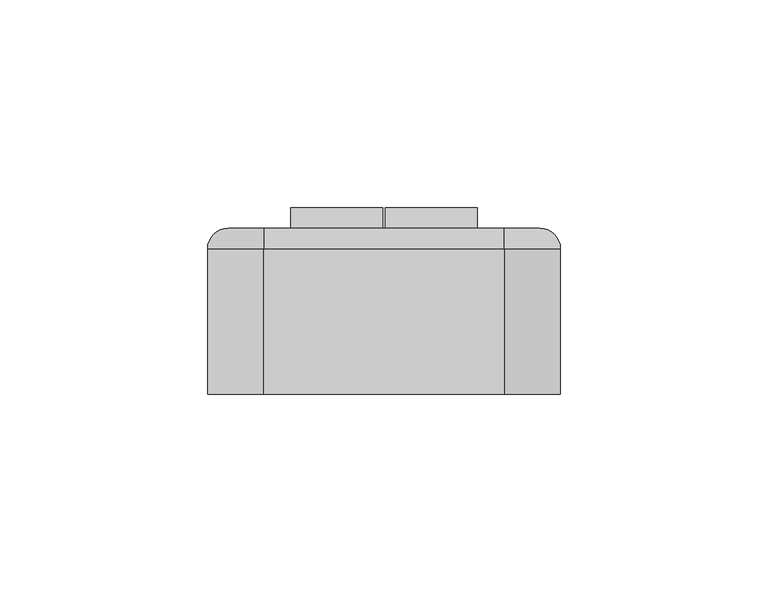
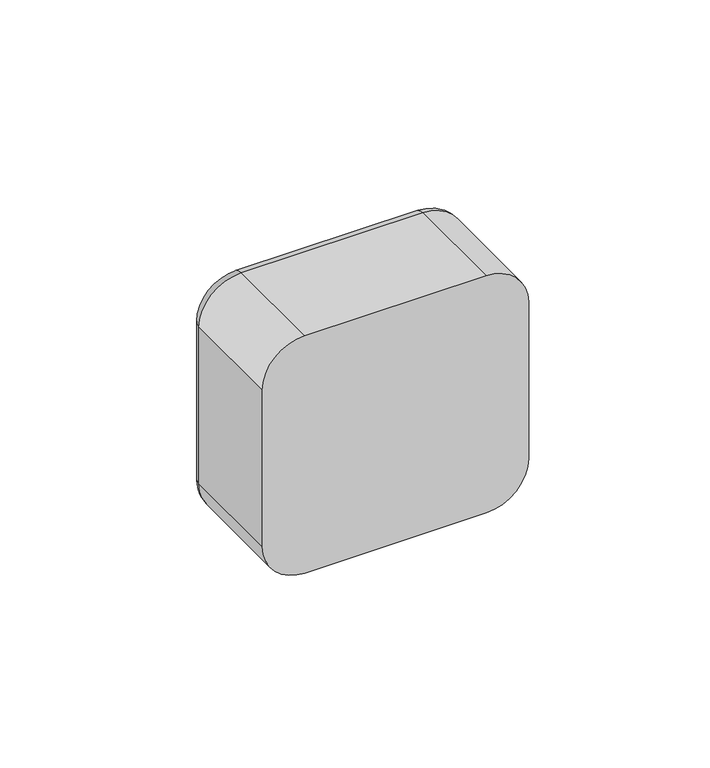
"""IFC4 building model written with IfcOpenShell, lengths in millimetres: switching device geometry."""

from ifc_helpers import new_model, si_unit, point, frame, origin, place, context, project, spatial, polyline, circle_curve, ellipse_curve, trimmed, outline, extrude, faceted_brep, source, transform, mapped, element, save
from ifc_brep_helpers import plane_surface, cylinder_surface, revolved_surface, advanced_brep


def switching_device_426c2eeb(model_context):
    return source(origin(), model_context, "Body", "SolidModel", [
        advanced_brep(
        [(28.9328665, 40.0, 35.0), (37.5, 40.0, 26.4328665), (37.5, 40.0, -26.4328665), (28.9328665, 40.0, -35.0), (-28.9328665, 40.0, -35.0), (-37.5, 40.0, -26.4328665), (-37.5, 40.0, 26.4328665), (-28.9328665, 40.0, 35.0), (22.5, 40.0, 22.5), (-22.5, 40.0, 22.5), (-22.5, 40.0, -22.5), (22.5, 40.0, -22.5), (-28.9328665, 0.0, 40.0), (-42.5, 0.0, 26.4328665), (-42.5, 0.0, -26.4328665), (-28.9328665, 0.0, -40.0), (28.9328665, 0.0, -40.0), (42.5, 0.0, -26.4328665), (42.5, 0.0, 26.4328665), (28.9328665, 0.0, 40.0), (22.5, 2.0, -22.5), (22.5, 2.0, 22.5), (-22.5, 2.0, -22.5), (-22.5, 2.0, 22.5), (-42.5, 35.0, 26.4328665), (-42.5, 35.0, -26.4328665), (-28.9328665, 35.0, -40.0), (28.9328665, 35.0, -40.0), (42.5, 35.0, -26.4328665), (42.5, 35.0, 26.4328665), (28.9328665, 35.0000072, 40.0), (-28.9328665, 35.0, 40.0)],
        [
            (0, 1, circle_curve(frame((28.9328665, 40.0, 26.4328665), z_axis=(0.0, 1.0, 0.0), x_axis=(0.0, 0.0, 1.0)), 8.5671335)),
            (1, 2),
            (2, 3, circle_curve(frame((28.9328665, 40.0, -26.4328665), z_axis=(0.0, 1.0, 0.0), x_axis=(1.0, 0.0, 0.0)), 8.5671335)),
            (3, 4),
            (4, 5, circle_curve(frame((-28.9328665, 40.0, -26.4328665), z_axis=(0.0, 1.0, 0.0), x_axis=(0.0, 0.0, -1.0)), 8.5671335)),
            (5, 6),
            (6, 7, circle_curve(frame((-28.9328665, 40.0, 26.4328665), z_axis=(0.0, 1.0, 0.0), x_axis=(-1.0, 0.0, 0.0)), 8.5671335)),
            (7, 0),
            (8, 9),
            (9, 10),
            (10, 11),
            (11, 8),
            (12, 13, circle_curve(frame((-28.9328665, 0.0, 26.4328665), z_axis=(0.0, -1.0, 0.0), x_axis=(1.0, 0.0, 0.0)), 13.5671335)),
            (13, 14),
            (14, 15, circle_curve(frame((-28.9328665, 0.0, -26.4328665), z_axis=(0.0, -1.0, 0.0), x_axis=(1.0, 0.0, 0.0)), 13.5671335)),
            (15, 16),
            (16, 17, circle_curve(frame((28.9328665, 0.0, -26.4328665), z_axis=(0.0, -1.0, 0.0), x_axis=(1.0, 0.0, 0.0)), 13.5671335)),
            (17, 18),
            (18, 19, circle_curve(frame((28.9328665, 0.0, 26.4328665), z_axis=(0.0, -1.0, 0.0), x_axis=(1.0, 0.0, 0.0)), 13.5671335)),
            (19, 12),
            (11, 20),
            (20, 21),
            (21, 8),
            (10, 22),
            (22, 20),
            (9, 23),
            (23, 22),
            (21, 23),
            (13, 24),
            (24, 25),
            (25, 14),
            (15, 26),
            (26, 27),
            (27, 16),
            (17, 28),
            (28, 29),
            (29, 18),
            (19, 30),
            (30, 31),
            (31, 12),
            (31, 24, circle_curve(frame((-28.9328665, 35.0, 26.4328665), z_axis=(0.0, -1.0, 0.0), x_axis=(1.0, 0.0, 0.0)), 13.5671335)),
            (25, 26, circle_curve(frame((-28.9328665, 35.0, -26.4328665), z_axis=(0.0, -1.0, 0.0), x_axis=(1.0, 0.0, 0.0)), 13.5671335)),
            (27, 28, circle_curve(frame((28.9328665, 35.0, -26.4328665), z_axis=(0.0, -1.0, 0.0), x_axis=(1.0, 0.0, 0.0)), 13.5671335)),
            (29, 30, circle_curve(frame((28.9328665, 35.0, 26.4328665), z_axis=(0.0, -1.0, 0.0), x_axis=(1.0, 0.0, 0.0)), 13.5671335)),
            (29, 1, circle_curve(frame((37.5, 35.0, 26.4328665), z_axis=(0.0, 0.0, 1.0), x_axis=(0.0, 1.0, 0.0)), 5.0)),
            (0, 30, circle_curve(frame((28.9328665, 35.0, 35.0), z_axis=(1.0, 0.0, 0.0), x_axis=(0.0, 1.0, 0.0)), 5.0)),
            (28, 2, circle_curve(frame((37.5, 35.0, -26.4328665), z_axis=(0.0, 0.0, 1.0), x_axis=(0.0, 1.0, 0.0)), 5.0)),
            (27, 3, circle_curve(frame((28.9328665, 35.0, -35.0), z_axis=(1.0, 0.0, 0.0), x_axis=(0.0, 1.0, 0.0)), 5.0)),
            (26, 4, circle_curve(frame((-28.9328665, 35.0, -35.0), z_axis=(1.0, 0.0, 0.0), x_axis=(0.0, 1.0, 0.0)), 5.0)),
            (25, 5, circle_curve(frame((-37.5, 35.0, -26.4328665), z_axis=(0.0, 0.0, -1.0), x_axis=(0.0, 1.0, 0.0)), 5.0)),
            (24, 6, circle_curve(frame((-37.5, 35.0, 26.4328665), z_axis=(0.0, 0.0, -1.0), x_axis=(0.0, 1.0, 0.0)), 5.0)),
            (31, 7, circle_curve(frame((-28.9328665, 35.0, 35.0), z_axis=(-1.0, 0.0, 0.0), x_axis=(0.0, 1.0, 0.0)), 5.0)),
        ],
        [
            plane_surface(frame((22.5, 40.0, 6.9412233), z_axis=(0.0, 1.0, 0.0), x_axis=(0.0, 0.0, 1.0))),
            plane_surface(frame((22.5, 0.0, 6.9412233), z_axis=(0.0, -1.0, 0.0), x_axis=(0.0, 0.0, -1.0))),
            plane_surface(frame((22.5, 0.0, 22.5), z_axis=(-1.0, 0.0, 0.0), x_axis=(0.0, 1.0, 0.0))),
            plane_surface(frame((22.5, 0.0, -22.5), z_axis=(0.0, 0.0, 1.0), x_axis=(0.0, 1.0, 0.0))),
            plane_surface(frame((-22.5, 0.0, -22.5), z_axis=(1.0, 0.0, 0.0), x_axis=(0.0, 1.0, 0.0))),
            plane_surface(frame((-22.5, 0.0, 22.5), z_axis=(0.0, 0.0, -1.0), x_axis=(0.0, 1.0, 0.0))),
            plane_surface(frame((-42.5, 0.0, 26.4328665), z_axis=(-1.0, 0.0, 0.0), x_axis=(0.0, 1.0, 0.0))),
            plane_surface(frame((-28.9328665, 0.0, -40.0), z_axis=(0.0, 0.0, -1.0), x_axis=(0.0, 1.0, 0.0))),
            plane_surface(frame((42.5, 0.0, -26.4328665), z_axis=(1.0, 0.0, 0.0), x_axis=(0.0, 1.0, 0.0))),
            plane_surface(frame((28.9328665, 0.0, 40.0), z_axis=(0.0, 0.0, 1.0), x_axis=(0.0, 1.0, 0.0))),
            cylinder_surface(frame((-28.9328665, 0.0, 26.4328665), z_axis=(0.0, -1.0, 0.0), x_axis=(1.0, 0.0, 0.0)), 13.5671335),
            cylinder_surface(frame((-28.9328665, 0.0, -26.4328665), z_axis=(0.0, -1.0, 0.0), x_axis=(1.0, 0.0, 0.0)), 13.5671335),
            cylinder_surface(frame((28.9328665, 0.0, -26.4328665), z_axis=(0.0, -1.0, 0.0), x_axis=(1.0, 0.0, 0.0)), 13.5671335),
            cylinder_surface(frame((28.9328665, 0.0, 26.4328665), z_axis=(0.0, -1.0, 0.0), x_axis=(1.0, 0.0, 0.0)), 13.5671335),
            plane_surface(frame((-22.5, 2.0, 31.0), z_axis=(0.0, 1.0, 0.0), x_axis=(0.0, 0.0, 1.0))),
            revolved_surface(trimmed(ellipse_curve(frame((28.9328665, 35.0, 35.0), z_axis=(-1.0, 0.0, 0.0), x_axis=(0.0, 1.0, 0.0)), 5.0, 5.0), [point((28.9328665, 35.0, 40.0))], [point((28.9328665, 40.0, 35.0))], True, "CARTESIAN"), (28.9328665, 40.0, 26.4328665), (0.0, 1.0, 0.0)),
            cylinder_surface(frame((37.5, 35.0, 26.4328665), z_axis=(0.0, 0.0, -1.0), x_axis=(0.0, 1.0, 0.0)), 5.0),
            revolved_surface(trimmed(ellipse_curve(frame((37.5, 35.0, -26.4328665), z_axis=(0.0, 0.0, 1.0), x_axis=(0.0, 1.0, 0.0)), 5.0, 5.0), [point((42.5, 35.0, -26.4328665))], [point((37.5, 40.0, -26.4328665))], True, "CARTESIAN"), (28.9328665, 40.0, -26.4328665), (0.0, 1.0, 0.0)),
            cylinder_surface(frame((28.9328665, 35.0, -35.0), z_axis=(-1.0, 0.0, 0.0), x_axis=(0.0, 1.0, 0.0)), 5.0),
            revolved_surface(trimmed(ellipse_curve(frame((-28.9328665, 35.0, -35.0), z_axis=(1.0, 0.0, 0.0), x_axis=(0.0, 1.0, 0.0)), 5.0, 5.0), [point((-28.9328665, 35.0, -40.0))], [point((-28.9328665, 40.0, -35.0))], True, "CARTESIAN"), (-28.9328665, 40.0, -26.4328665), (0.0, 1.0, 0.0)),
            cylinder_surface(frame((-37.5, 35.0, -26.4328665), z_axis=(0.0, 0.0, 1.0), x_axis=(0.0, 1.0, 0.0)), 5.0),
            revolved_surface(trimmed(ellipse_curve(frame((-37.5, 35.0, 26.4328665), z_axis=(0.0, 0.0, -1.0), x_axis=(0.0, 1.0, 0.0)), 5.0, 5.0), [point((-42.5, 35.0, 26.4328665))], [point((-37.5, 40.0, 26.4328665))], True, "CARTESIAN"), (-28.9328665, 40.0, 26.4328665), (0.0, 1.0, 0.0)),
            cylinder_surface(frame((-28.9328665, 35.0, 35.0), z_axis=(1.0, 0.0, 0.0), x_axis=(0.0, 1.0, 0.0)), 5.0),
        ],
        [
            (0, [[1, 2, 3, 4, 5, 6, 7, 8], [9, 10, 11, 12]]),
            (1, [[13, 14, 15, 16, 17, 18, 19, 20]]),
            (2, [[-12, 21, 22, 23]]),
            (3, [[-11, 24, 25, -21]]),
            (4, [[-10, 26, 27, -24]]),
            (5, [[-9, -23, 28, -26]]),
            (6, [[-14, 29, 30, 31]]),
            (7, [[-16, 32, 33, 34]]),
            (8, [[-18, 35, 36, 37]]),
            (9, [[-20, 38, 39, 40]]),
            (10, [[-13, -40, 41, -29]]),
            (11, [[-15, -31, 42, -32]]),
            (12, [[-17, -34, 43, -35]]),
            (13, [[-19, -37, 44, -38]]),
            (14, [[-22, -25, -27, -28]]),
            (15, [[45, -1, 46, -44]]),
            (16, [[-45, -36, 47, -2]]),
            (17, [[-47, -43, 48, -3]]),
            (18, [[-48, -33, 49, -4]]),
            (19, [[-49, -42, 50, -5]]),
            (20, [[-50, -30, 51, -6]]),
            (21, [[-51, -41, 52, -7]]),
            (22, [[-46, -8, -52, -39]]),
        ],
    ),
        extrude(outline(polyline([(0.0, -2.0), (0.0, 0.0), (0.9999999, 0.0), (0.9999999, -2.0), (0.0, -2.0)])), frame((4.0, 42.2452249, -2.4844182), z_axis=(0.0, 0.11147470448260181, 0.9937672716790973), x_axis=(0.0, -0.9937672716790973, 0.11147470448260181)), (0.0, 0.0, 1.0), 5.0),
        faceted_brep([(22.5, 40.0, -22.5), (22.5, 44.9850961, 21.9408026), (22.5, 40.0, 22.5), (0.25, 40.0, -22.5), (0.25, 40.0, 22.5), (0.25, 44.9850961, 21.9408026), (4.0, 42.2452249, -2.4844182), (4.0, 42.8025985, 2.4844182), (2.0, 42.8025985, 2.4844182), (2.0, 42.2452249, -2.4844182), (4.0, 41.2514577, -2.3729435), (2.0, 41.2514577, -2.3729435), (2.0, 41.8088312, 2.5958929), (4.0, 41.8088312, 2.5958929)], [[[0, 1, 2]], [[3, 4, 5]], [[1, 0, 3, 5], [6, 7, 8, 9]], [[2, 1, 5, 4]], [[0, 2, 4, 3]], [[10, 11, 12, 13]], [[10, 13, 7, 6]], [[13, 12, 8, 7]], [[12, 11, 9, 8]], [[11, 10, 6, 9]]]),
        faceted_brep([(-0.25, 40.0, -22.5), (-0.25, 44.9850961, 21.9408026), (-0.25, 40.0, 22.5), (-22.5, 40.0, -22.5), (-22.5, 40.0, 22.5), (-22.5, 44.9850961, 21.9408026), (-2.0, 42.2452249, -2.4844182), (-2.0, 42.8025985, 2.4844182), (-4.0, 42.8025985, 2.4844182), (-4.0, 42.2452249, -2.4844182), (-2.0, 41.2514577, -2.3729435), (-4.0, 41.2514577, -2.3729435), (-4.0, 41.8088312, 2.5958929), (-2.0, 41.8088312, 2.5958929)], [[[0, 1, 2]], [[3, 4, 5]], [[1, 0, 3, 5], [6, 7, 8, 9]], [[2, 1, 5, 4]], [[0, 2, 4, 3]], [[10, 11, 12, 13]], [[10, 13, 7, 6]], [[13, 12, 8, 7]], [[12, 11, 9, 8]], [[11, 10, 6, 9]]]),
        extrude(outline(polyline([(0.0, -2.0), (0.0, 0.0), (0.9999999, 0.0), (0.9999999, -2.0), (0.0, -2.0)])), frame((-2.0, 42.2452249, -2.4844182), z_axis=(0.0, 0.11147470448260181, 0.9937672716790973), x_axis=(0.0, -0.9937672716790973, 0.11147470448260181)), (0.0, 0.0, 1.0), 5.0),
        extrude(outline(polyline([(22.5, 2.0), (-22.5, 2.0), (-22.5, 32.0), (22.5, 32.0), (22.5, 2.0)])), frame((0.0, 0.0, -22.5), z_axis=(0.0, 0.0, 1.0), x_axis=(1.0, 0.0, 0.0)), (0.0, 0.0, 1.0), 45.0),
        extrude(outline(polyline([(22.5, 32.0), (-22.5, 32.0), (-22.5, 40.0), (22.5, 40.0), (22.5, 32.0)])), frame((0.0, 0.0, -22.5), z_axis=(0.0, 0.0, 1.0), x_axis=(1.0, 0.0, 0.0)), (0.0, 0.0, 1.0), 45.0),
    ])


if __name__ == "__main__":
    model = new_model("IFC4")
    model_context = context("Model", 3, world=origin())
    ifc_project = project(units=[si_unit("LENGTHUNIT", "METRE", prefix="MILLI")], contexts=[model_context])
    site = spatial("IfcSite", under=ifc_project)
    building = spatial("IfcBuilding", under=site)
    placement = place(None, origin())
    switching_device_shape = switching_device_426c2eeb(model_context)
    element("IfcSwitchingDevice", 1, at=placement, inside=building, context=model_context, shape_type="MappedRepresentation", body=[
        mapped(switching_device_shape, transform((0.0, 0.0, 0.0), x_axis=(1.0, 0.0, 0.0), y_axis=(0.0, 1.0, 0.0), z_axis=(0.0, 0.0, 1.0))),
    ])
    save(model, "model.ifc")
